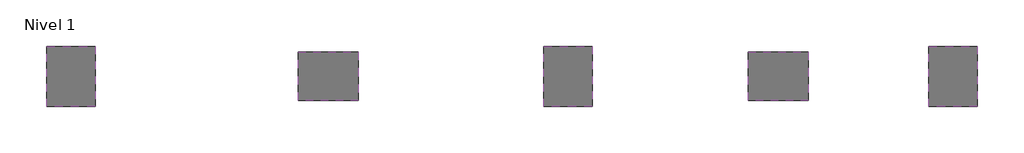
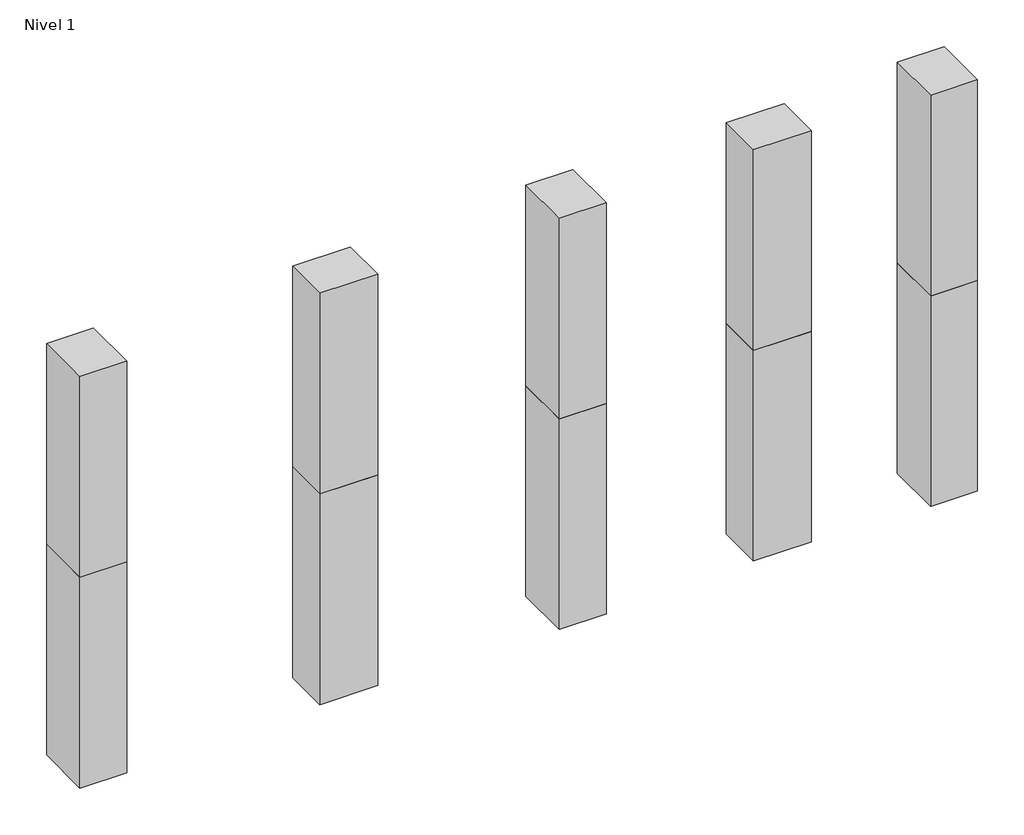
# One storey: 10 proxies.
"""IFC4 building model written with IfcOpenShell, lengths in millimetres."""

from ifc_helpers import new_model, si_unit, frame, origin, place, context, project, spatial, polyline, outline, extrude, element, save

model = new_model("IFC4")

# Units and contexts
model_context = context("Model", 3, world=origin())
ifc_project = project(units=[si_unit("LENGTHUNIT", "METRE", prefix="MILLI")], contexts=[model_context])

# Site, building, storey
site = spatial("IfcSite", under=ifc_project)
building = spatial("IfcBuilding", under=site)
storey = spatial("IfcBuildingStorey", under=building, Name="Nivel 1", Elevation=0.0)

# Proxies
placement = place(None, origin())
element("IfcBuildingElementProxy", 1, Name="Mass", at=placement, inside=storey, context=model_context, shape_type="SweptSolid", body=[
    extrude(outline(polyline([(-8485.6583375, 714.3774463), (-8485.6583375, -75.6225537), (-9125.6583375, -75.6225537), (-9125.6583375, 714.3774463), (-8485.6583375, 714.3774463)])), frame((0.0, 0.0, -20.0), z_axis=(0.0, 0.0, 1.0), x_axis=(1.0, 0.0, 0.0)), (0.0, 0.0, 1.0), 3040.0),
])
element("IfcBuildingElementProxy", 2, Name="Mass", at=placement, inside=storey, context=model_context, shape_type="SweptSolid", body=[
    extrude(outline(polyline([(-5811.5775931, 639.3774463), (-5021.5775931, 639.3774463), (-5021.5775931, -0.6225537), (-5811.5775931, -0.6225537), (-5811.5775931, 639.3774463)])), frame((0.0, 0.0, -20.0), z_axis=(0.0, 0.0, 1.0), x_axis=(1.0, 0.0, 0.0)), (0.0, 0.0, 1.0), 3040.0),
])
element("IfcBuildingElementProxy", 3, Name="Mass", at=placement, inside=storey, context=model_context, shape_type="SweptSolid", body=[
    extrude(outline(polyline([(-2584.4839027, -75.6225537), (-2584.4839027, 714.3774463), (-1944.4839027, 714.3774463), (-1944.4839027, -75.6225537), (-2584.4839027, -75.6225537)])), frame((0.0, 0.0, -20.0), z_axis=(0.0, 0.0, 1.0), x_axis=(1.0, 0.0, 0.0)), (0.0, 0.0, 1.0), 3040.0),
])
element("IfcBuildingElementProxy", 4, Name="Mass", at=placement, inside=storey, context=model_context, shape_type="SweptSolid", body=[
    extrude(outline(polyline([(899.4646198, -0.6225537), (109.4646198, -0.6225537), (109.4646198, 639.3774463), (899.4646198, 639.3774463), (899.4646198, -0.6225537)])), frame((0.0, 0.0, -20.0), z_axis=(0.0, 0.0, 1.0), x_axis=(1.0, 0.0, 0.0)), (0.0, 0.0, 1.0), 3040.0),
])
element("IfcBuildingElementProxy", 5, Name="Mass", at=placement, inside=storey, context=model_context, shape_type="SweptSolid", body=[
    extrude(outline(polyline([(3123.2540534, 714.3774463), (3123.2540534, -75.6225537), (2483.2540534, -75.6225537), (2483.2540534, 714.3774463), (3123.2540534, 714.3774463)])), frame((0.0, 0.0, -20.0), z_axis=(0.0, 0.0, 1.0), x_axis=(1.0, 0.0, 0.0)), (0.0, 0.0, 1.0), 3040.0),
])
element("IfcBuildingElementProxy", 6, Name="Mass", at=placement, inside=storey, context=model_context, shape_type="SweptSolid", body=[
    extrude(outline(polyline([(-8485.6583375, 714.3774463), (-8485.6583375, -75.6225537), (-9125.6583375, -75.6225537), (-9125.6583375, 714.3774463), (-8485.6583375, 714.3774463)])), frame((0.0, 0.0, 2980.0), z_axis=(0.0, 0.0, 1.0), x_axis=(1.0, 0.0, 0.0)), (0.0, 0.0, 1.0), 2940.0),
])
element("IfcBuildingElementProxy", 7, Name="Mass", at=placement, inside=storey, context=model_context, shape_type="SweptSolid", body=[
    extrude(outline(polyline([(-5811.5775931, 639.3774463), (-5021.5775931, 639.3774463), (-5021.5775931, -0.6225537), (-5811.5775931, -0.6225537), (-5811.5775931, 639.3774463)])), frame((0.0, 0.0, 2980.0), z_axis=(0.0, 0.0, 1.0), x_axis=(1.0, 0.0, 0.0)), (0.0, 0.0, 1.0), 2940.0),
])
element("IfcBuildingElementProxy", 8, Name="Mass", at=placement, inside=storey, context=model_context, shape_type="SweptSolid", body=[
    extrude(outline(polyline([(-2584.4839027, -75.6225537), (-2584.4839027, 714.3774463), (-1944.4839027, 714.3774463), (-1944.4839027, -75.6225537), (-2584.4839027, -75.6225537)])), frame((0.0, 0.0, 2980.0), z_axis=(0.0, 0.0, 1.0), x_axis=(1.0, 0.0, 0.0)), (0.0, 0.0, 1.0), 2940.0),
])
element("IfcBuildingElementProxy", 9, Name="Mass", at=placement, inside=storey, context=model_context, shape_type="SweptSolid", body=[
    extrude(outline(polyline([(899.4646198, -0.6225537), (109.4646198, -0.6225537), (109.4646198, 639.3774463), (899.4646198, 639.3774463), (899.4646198, -0.6225537)])), frame((0.0, 0.0, 2980.0), z_axis=(0.0, 0.0, 1.0), x_axis=(1.0, 0.0, 0.0)), (0.0, 0.0, 1.0), 2940.0),
])
element("IfcBuildingElementProxy", 10, Name="Mass", at=placement, inside=storey, context=model_context, shape_type="SweptSolid", body=[
    extrude(outline(polyline([(3123.2540534, 714.3774463), (3123.2540534, -75.6225537), (2483.2540534, -75.6225537), (2483.2540534, 714.3774463), (3123.2540534, 714.3774463)])), frame((0.0, 0.0, 2980.0), z_axis=(0.0, 0.0, 1.0), x_axis=(1.0, 0.0, 0.0)), (0.0, 0.0, 1.0), 2940.0),
])

save(model, "model.ifc")
